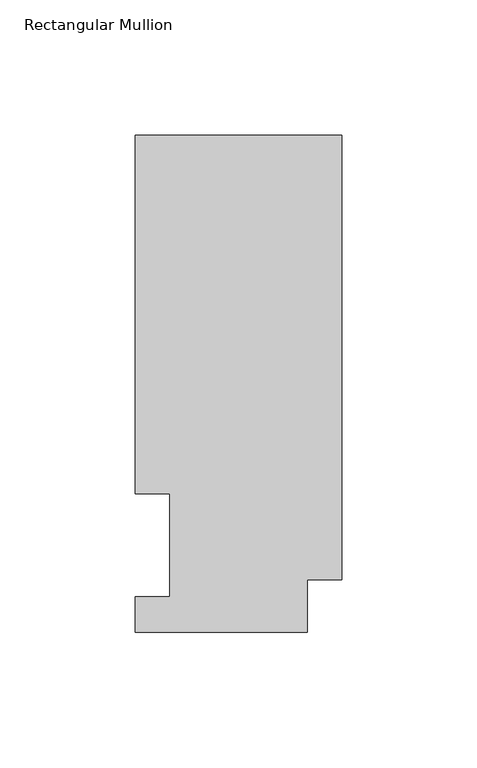
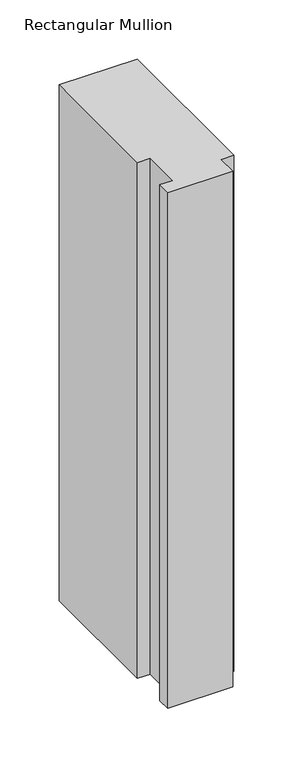
"""IFC4 building model written with IfcOpenShell, lengths in millimetres: member geometry, Rectangular Mullion."""

from ifc_helpers import new_model, si_unit, frame, origin, place, context, project, spatial, polyline, outline, extrude, source, transform, mapped, element, save


def rectangular_mullion_f533b92b(model_context):
    return source(origin(), model_context, "Body", "SweptSolid", [
        extrude(outline(polyline([(-76.2000004, 183.6764448), (0.0, 183.6764448), (0.0, 19.5670448), (-12.7, 19.5670448), (-12.7, 0.0344448), (-76.2, 0.0344446), (-76.2, 13.2170446), (-63.5127001, 13.2170446), (-63.5127002, 51.2960938), (-76.2000004, 51.2960938), (-76.2000004, 183.6764448)])), frame((0.0, 0.0, -533.4871459), z_axis=(0.0, 0.0, 1.0), x_axis=(1.0, 0.0, 0.0)), (0.0, 0.0, 1.0), 533.4871459),
    ])


if __name__ == "__main__":
    model = new_model("IFC4")
    model_context = context("Model", 3, world=origin())
    ifc_project = project(units=[si_unit("LENGTHUNIT", "METRE", prefix="MILLI")], contexts=[model_context])
    site = spatial("IfcSite", under=ifc_project)
    building = spatial("IfcBuilding", under=site)
    placement = place(None, origin())
    rectangular_mullion_shape = rectangular_mullion_f533b92b(model_context)
    element("IfcMember", 1, ObjectType="Rectangular Mullion", at=placement, inside=building, context=model_context, shape_type="MappedRepresentation", body=[
        mapped(rectangular_mullion_shape, transform((0.0, 0.0, 0.0), x_axis=(1.0, 0.0, 0.0), y_axis=(0.0, 1.0, 0.0), z_axis=(0.0, 0.0, 1.0))),
    ])
    save(model, "model.ifc")
